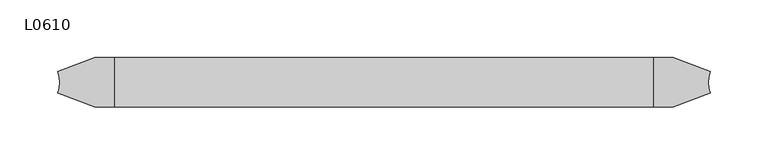
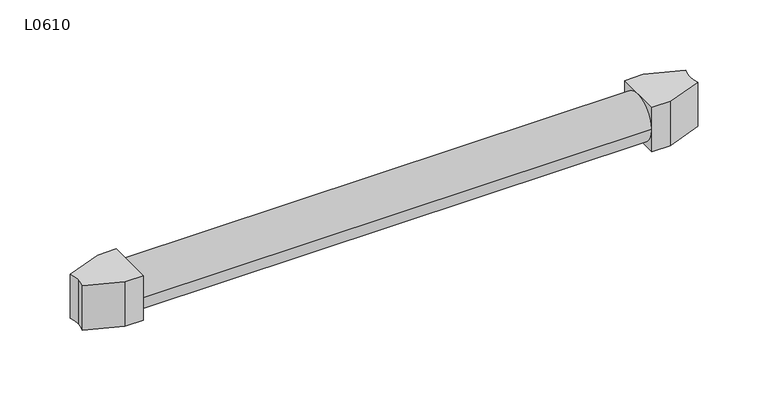
"""IFC4 building model written with IfcOpenShell, lengths in millimetres: proxy geometry, L0610."""

import ifcopenshell
import ifcopenshell.guid

model = None  # the IFC model being written
_history = None  # IfcOwnerHistory: only IFC2X3 demands one
_inside = {}  # id of a spatial element -> (the spatial element, [elements in it])
_under = {}  # id of a project, library or spatial element -> (it, [spatial elements below it])
_declared = {}  # id of a project -> (the project, [libraries it declares])
_typed = {}  # id of a type object -> (the type object, [elements of that type])
_made_of = {}  # id of a material, layer set ... -> (it, [elements and type objects made of it])


def new_model(schema):
    """Start an empty IFC model of exactly this schema.

    Asked for "IFC4X3", IfcOpenShell would pick the latest addendum, in which some entities
    have other attributes; the version numbers below select the first issue.
    IFC2X3 requires an IfcOwnerHistory on every rooted entity: one is made here for all.
    """
    global model, _history
    if schema == "IFC4X3":
        model = ifcopenshell.file(schema_version=(4, 3, 0, 0))
    else:
        model = ifcopenshell.file(schema=schema)
    _inside.clear()
    _under.clear()
    _declared.clear()
    _typed.clear()
    _made_of.clear()
    _history = None
    if model.schema == "IFC2X3":
        org = make("IfcOrganization", Name="unknown")
        user = make(
            "IfcPersonAndOrganization",
            ThePerson=make("IfcPerson", FamilyName="unknown"),
            TheOrganization=org,
        )
        app = make(
            "IfcApplication",
            ApplicationDeveloper=org,
            Version="unknown",
            ApplicationFullName="unknown",
            ApplicationIdentifier="unknown",
        )
        _history = make(
            "IfcOwnerHistory",
            OwningUser=user,
            OwningApplication=app,
            ChangeAction="ADDED",
            CreationDate=0,
        )
    return model


def make(cls, **values):
    """One entity of the class cls with the attributes given. An attribute that is None is left unset."""
    return model.create_entity(
        cls, **{name: value for name, value in values.items() if value is not None}
    )


def rooted(cls, **values):
    """An entity with a GlobalId (a new one), such as an element, a storey or a relation."""
    return make(cls, GlobalId=ifcopenshell.guid.new(), OwnerHistory=_history, **values)


def si_unit(unit_type, name, prefix=None):
    """IfcSIUnit, for example si_unit("LENGTHUNIT", "METRE", prefix="MILLI")."""
    return make("IfcSIUnit", UnitType=unit_type, Prefix=prefix, Name=name)


def assignment(units):
    """IfcUnitAssignment: the units of a project."""
    return None if units is None else make("IfcUnitAssignment", Units=units)


def point(xyz):
    """IfcCartesianPoint."""
    return None if xyz is None else make("IfcCartesianPoint", Coordinates=xyz)


def direction(xyz):
    """IfcDirection."""
    return None if xyz is None else make("IfcDirection", DirectionRatios=xyz)


def frame(location, z_axis=None, x_axis=None):
    """IfcAxis2Placement3D, a coordinate frame: its origin and axes. An axis left out is left unset."""
    return make(
        "IfcAxis2Placement3D",
        Location=point(location),
        Axis=direction(z_axis),
        RefDirection=direction(x_axis),
    )


def frame_2d(location, x_axis=None):
    """IfcAxis2Placement2D, a coordinate frame in the plane: its origin and x axis."""
    return make(
        "IfcAxis2Placement2D", Location=point(location), RefDirection=direction(x_axis)
    )


def origin():
    """The frame at (0, 0, 0) with its axes left unset."""
    return frame((0.0, 0.0, 0.0))


def origin_2d():
    """The frame at (0, 0) in the plane with its x axis left unset."""
    return frame_2d((0.0, 0.0))


def place(relative_to, where):
    """IfcLocalPlacement: puts the frame where relative to a parent placement (None: the world)."""
    return make(
        "IfcLocalPlacement", PlacementRelTo=relative_to, RelativePlacement=where
    )


def context(
    kind, dimensions, precision=None, world=None, true_north=None, identifier=None
):
    """IfcGeometricRepresentationContext, for example the 3D "Model" context."""
    return make(
        "IfcGeometricRepresentationContext",
        ContextIdentifier=identifier,
        ContextType=kind,
        CoordinateSpaceDimension=dimensions,
        Precision=precision,
        WorldCoordinateSystem=world,
        TrueNorth=true_north,
    )


def project(units=None, contexts=None):
    """IfcProject with its units and contexts."""
    return rooted(
        "IfcProject",
        Name="project",
        RepresentationContexts=contexts,
        UnitsInContext=assignment(units),
    )


def spatial(cls, under=None, at=None, **own):
    """A site, building, storey or space (cls), placed at a placement, below another one or the project."""
    s = rooted(cls, ObjectPlacement=at, **own)
    if under is not None:
        _under.setdefault(under.id(), (under, []))[1].append(s)
    return s


def polyline(points):
    """IfcPolyline through the points."""
    return make("IfcPolyline", Points=[point(p) for p in points])


def circle_curve(where, radius):
    """IfcCircle in the frame where."""
    return make("IfcCircle", Position=where, Radius=radius)


def trimmed(basis, trim1, trim2, sense, master):
    """IfcTrimmedCurve: the piece of a basis curve between two trims."""
    return make(
        "IfcTrimmedCurve",
        BasisCurve=basis,
        Trim1=trim1,
        Trim2=trim2,
        SenseAgreement=sense,
        MasterRepresentation=master,
    )


def segment(curve, same_sense, transition):
    """IfcCompositeCurveSegment."""
    return make(
        "IfcCompositeCurveSegment",
        Transition=transition,
        SameSense=same_sense,
        ParentCurve=curve,
    )


def composite_curve(segments, self_intersect=None):
    """IfcCompositeCurve: segments joined end to end."""
    return make("IfcCompositeCurve", Segments=segments, SelfIntersect=self_intersect)


def outline(outer, holes=None, kind="AREA"):
    """IfcArbitraryClosedProfileDef: a profile drawn as a closed curve; with holes, ...WithVoids."""
    if holes is None:
        return make("IfcArbitraryClosedProfileDef", ProfileType=kind, OuterCurve=outer)
    return make(
        "IfcArbitraryProfileDefWithVoids",
        ProfileType=kind,
        OuterCurve=outer,
        InnerCurves=holes,
    )


def extrude(swept, where, along, depth):
    """IfcExtrudedAreaSolid: the profile swept, set in the frame where, extruded along a direction by depth."""
    return make(
        "IfcExtrudedAreaSolid",
        SweptArea=swept,
        Position=where,
        ExtrudedDirection=direction(along),
        Depth=depth,
    )


def shape(context_of_items, identifier, shape_type, items):
    """IfcShapeRepresentation: the items that make up one representation, for example the "Body"."""
    return make(
        "IfcShapeRepresentation",
        ContextOfItems=context_of_items,
        RepresentationIdentifier=identifier,
        RepresentationType=shape_type,
        Items=items,
    )


def source(mapping_origin, context_of_items, identifier, shape_type, items):
    """IfcRepresentationMap: a shape defined once, which mapped items show again and again."""
    return make(
        "IfcRepresentationMap",
        MappingOrigin=mapping_origin,
        MappedRepresentation=shape(context_of_items, identifier, shape_type, items),
    )


def transform(
    local_origin,
    x_axis=None,
    y_axis=None,
    z_axis=None,
    scale=None,
    scale2=None,
    scale3=None,
    uniform=True,
):
    """IfcCartesianTransformationOperator3D, or its non-uniform kind. x_axis, y_axis, z_axis: its Axis1, 2, 3."""
    if uniform:
        return make(
            "IfcCartesianTransformationOperator3D",
            Axis1=direction(x_axis),
            Axis2=direction(y_axis),
            LocalOrigin=point(local_origin),
            Scale=scale,
            Axis3=direction(z_axis),
        )
    return make(
        "IfcCartesianTransformationOperator3DnonUniform",
        Axis1=direction(x_axis),
        Axis2=direction(y_axis),
        LocalOrigin=point(local_origin),
        Scale=scale,
        Axis3=direction(z_axis),
        Scale2=scale2,
        Scale3=scale3,
    )


def mapped(mapping_source, mapping_target):
    """IfcMappedItem: shows the shape of a source again, moved by a transform."""
    return make(
        "IfcMappedItem", MappingSource=mapping_source, MappingTarget=mapping_target
    )


def made_of(thing, what):
    """Note that an element or type object is made of a material, layer set ...; save() writes the relation."""
    if what is not None:
        _made_of.setdefault(what.id(), (what, []))[1].append(thing)
    return thing


def element(
    cls,
    number,
    at=None,
    inside=None,
    cuts=None,
    type_object=None,
    material=None,
    context=None,
    identifier="Body",
    shape_type=None,
    held_by="IfcProductDefinitionShape",
    body=None,
    shapes=None,
    **own,
):
    """One element of the class cls, such as IfcWall. Its Tag is "e" and its number.

    at: its placement. inside: the storey or other place that contains it. cuts: it is an
    opening in that element (IfcRelVoidsElement). A single representation is given by context,
    identifier, shape_type and body (its items); several are given by shapes. held_by: the class
    of the entity that holds the representations. save() writes the other relations.
    """
    e = rooted(cls, Tag="e%d" % number, ObjectPlacement=at, **own)
    if body is not None:
        shapes = [shape(context, identifier, shape_type, body)]
    if shapes is not None:
        e.Representation = make(held_by, Representations=shapes)
    if inside is not None:
        _inside.setdefault(inside.id(), (inside, []))[1].append(e)
    if cuts is not None:
        rooted(
            "IfcRelVoidsElement", RelatingBuildingElement=cuts, RelatedOpeningElement=e
        )
    if type_object is not None:
        _typed.setdefault(type_object.id(), (type_object, []))[1].append(e)
    return made_of(e, material)


def aggregate(whole, parts):
    """IfcRelAggregates: a whole, such as a stair, and the parts it consists of."""
    return rooted("IfcRelAggregates", RelatingObject=whole, RelatedObjects=parts)


def save(model, path):
    """Write the relations noted so far, then the file.

    IfcRelAggregates (storeys below a building ...), IfcRelContainedInSpatialStructure (elements
    in a storey), IfcRelDefinesByType, IfcRelAssociatesMaterial and IfcRelDeclares: one each for
    every whole, place, type object, material and project.
    """
    for whole, parts in _under.values():
        aggregate(whole, parts)
    for where, things in _inside.values():
        rooted(
            "IfcRelContainedInSpatialStructure",
            RelatedElements=things,
            RelatingStructure=where,
        )
    for kind, things in _typed.values():
        rooted("IfcRelDefinesByType", RelatedObjects=things, RelatingType=kind)
    for what, things in _made_of.values():
        rooted("IfcRelAssociatesMaterial", RelatedObjects=things, RelatingMaterial=what)
    for by, libraries in _declared.values():
        rooted("IfcRelDeclares", RelatingContext=by, RelatedDefinitions=libraries)
    model.write(path)


def l0610_88593333(model_context):
    return source(origin(), model_context, "Body", "SweptSolid", [
        extrude(outline(composite_curve([segment(polyline([(71.4999948, 21.5), (71.4999948, -21.5), (54.4591948, -21.5), (22.4171288, -9.3788237)]), True, "CONTINUOUS"), segment(trimmed(circle_curve(origin_2d(), 24.3), [point((22.4171288, -9.3788237))], [point((24.3, 0.0))], True, "CARTESIAN"), True, "CONTINUOUS"), segment(trimmed(circle_curve(origin_2d(), 24.3), [point((24.3, 0.0))], [point((22.4171288, 9.3788237))], True, "CARTESIAN"), True, "CONTINUOUS"), segment(polyline([(22.4171288, 9.3788237), (54.4591948, 21.5), (71.4999948, 21.5)]), True, "CONTINUOUS")], self_intersect=False)), frame((0.0, 0.0, -21.5), z_axis=(0.0, 0.0, 1.0), x_axis=(1.0, 0.0, 0.0)), (0.0, 0.0, 1.0), 43.0),
        extrude(outline(composite_curve([segment(polyline([(538.4999948, -21.5), (538.4999948, 21.5), (555.5407948, 21.5), (587.5828608, 9.3788237)]), True, "CONTINUOUS"), segment(trimmed(circle_curve(frame_2d((609.9999897, 0.0)), 24.3), [point((587.5828608, 9.3788237))], [point((585.6999897, 0.0))], True, "CARTESIAN"), True, "CONTINUOUS"), segment(trimmed(circle_curve(frame_2d((609.9999897, 0.0)), 24.3), [point((585.6999897, 0.0))], [point((587.5828608, -9.3788237))], True, "CARTESIAN"), True, "CONTINUOUS"), segment(polyline([(587.5828608, -9.3788237), (555.5407948, -21.5), (538.4999948, -21.5)]), True, "CONTINUOUS")], self_intersect=False)), frame((0.0, 0.0, -21.5), z_axis=(0.0, 0.0, 1.0), x_axis=(1.0, 0.0, 0.0)), (0.0, 0.0, 1.0), 43.0),
        extrude(outline(composite_curve([segment(trimmed(circle_curve(origin_2d(), 21.4), [point((-21.4, 0.0))], [point((21.4, 0.0))], False, "CARTESIAN"), True, "CONTINUOUS"), segment(trimmed(circle_curve(origin_2d(), 21.4), [point((21.4, 0.0))], [point((-21.4, 0.0))], False, "CARTESIAN"), True, "CONTINUOUS")], self_intersect=False)), frame((71.4999948, 0.0, 0.0), z_axis=(1.0, 0.0, 0.0), x_axis=(0.0, 1.0, 0.0)), (0.0, 0.0, 1.0), 467.0),
    ])


if __name__ == "__main__":
    model = new_model("IFC4")
    model_context = context("Model", 3, world=origin())
    ifc_project = project(units=[si_unit("LENGTHUNIT", "METRE", prefix="MILLI")], contexts=[model_context])
    site = spatial("IfcSite", under=ifc_project)
    building = spatial("IfcBuilding", under=site)
    placement = place(None, origin())
    l0610_shape = l0610_88593333(model_context)
    element("IfcBuildingElementProxy", 1, Name="L0610", ObjectType="L0610", at=placement, inside=building, context=model_context, shape_type="MappedRepresentation", body=[
        mapped(l0610_shape, transform((0.0, 0.0, 0.0), x_axis=(1.0, 0.0, 0.0), y_axis=(0.0, 1.0, 0.0), z_axis=(0.0, 0.0, 1.0))),
    ])
    save(model, "model.ifc")
